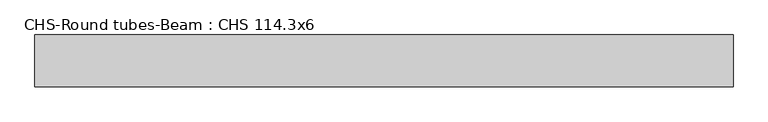
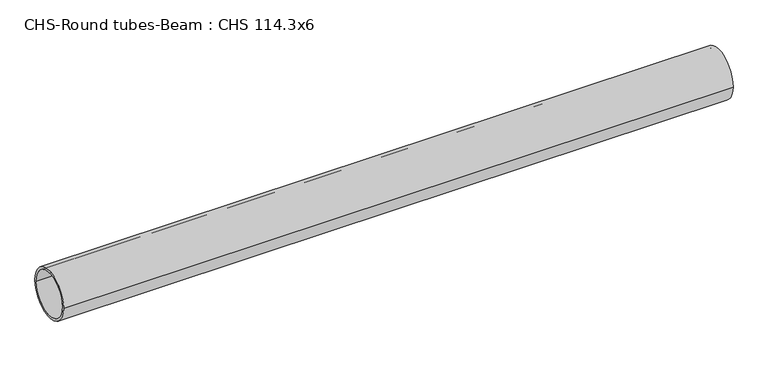
"""IFC4 building model written with IfcOpenShell, lengths in millimetres: beam geometry, CHS-Round tubes-Beam : CHS 114.3x6."""

from ifc_helpers import new_model, si_unit, point, frame, origin, origin_2d, place, context, project, spatial, circle_curve, trimmed, segment, composite_curve, outline, extrude, source, transform, mapped, element, save


def chs_round_tubes_beam_chs_114_3x6_41665e87(model_context):
    return source(origin(), model_context, "Body", "SweptSolid", [
        extrude(outline(composite_curve([segment(trimmed(circle_curve(origin_2d(), 57.15), [point((57.15, 0.0))], [point((-57.15, 0.0))], False, "CARTESIAN"), True, "CONTINUOUS"), segment(trimmed(circle_curve(origin_2d(), 57.15), [point((-57.15, 0.0))], [point((57.15, 0.0))], False, "CARTESIAN"), True, "CONTINUOUS")], self_intersect=False), holes=[composite_curve([segment(trimmed(circle_curve(origin_2d(), 51.15), [point((51.15, 0.0))], [point((-51.15, 0.0))], True, "CARTESIAN"), True, "CONTINUOUS"), segment(trimmed(circle_curve(origin_2d(), 51.15), [point((-51.15, 0.0))], [point((51.15, 0.0))], True, "CARTESIAN"), True, "CONTINUOUS")], self_intersect=False)]), frame((-756.3956333, 0.0, 0.0), z_axis=(1.0, 0.0, 0.0), x_axis=(0.0, 1.0, 0.0)), (0.0, 0.0, 1.0), 1536.6773228),
    ])


if __name__ == "__main__":
    model = new_model("IFC4")
    model_context = context("Model", 3, world=origin())
    ifc_project = project(units=[si_unit("LENGTHUNIT", "METRE", prefix="MILLI")], contexts=[model_context])
    site = spatial("IfcSite", under=ifc_project)
    building = spatial("IfcBuilding", under=site)
    placement = place(None, origin())
    chs_round_tubes_beam_chs_114_3x6_shape = chs_round_tubes_beam_chs_114_3x6_41665e87(model_context)
    element("IfcBeam", 1, ObjectType="CHS-Round tubes-Beam : CHS 114.3x6", at=placement, inside=building, context=model_context, shape_type="MappedRepresentation", body=[
        mapped(chs_round_tubes_beam_chs_114_3x6_shape, transform((0.0, 0.0, 0.0), x_axis=(1.0, 0.0, 0.0), y_axis=(0.0, 1.0, 0.0), z_axis=(0.0, 0.0, 1.0))),
    ])
    save(model, "model.ifc")
